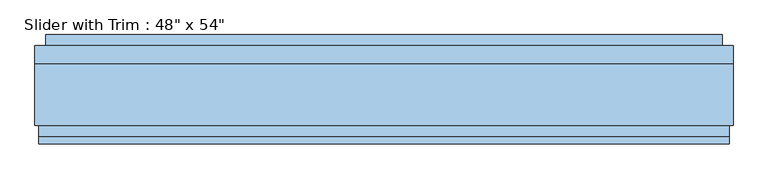
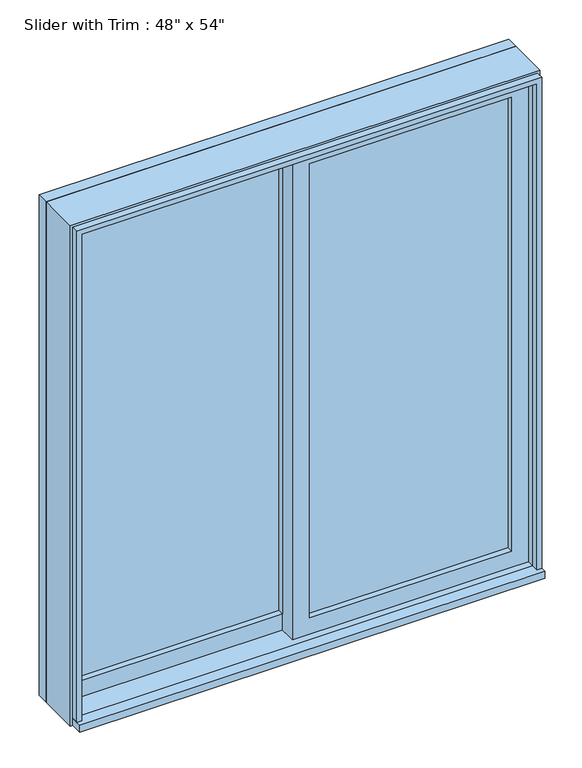
"""IFC4 building model written with IfcOpenShell, lengths in millimetres: window geometry."""

from ifc_helpers import new_model, si_unit, frame, origin, place, context, project, spatial, polyline, outline, extrude, source, transform, mapped, element, save


def window_5f075b5c(model_context):
    return source(origin(), model_context, "Body", "SweptSolid", [
        extrude(outline(polyline([(-546.1, 9.525), (-546.1, 22.225), (-22.225, 22.225), (-22.225, 9.525), (-546.1, 9.525)])), frame((0.0, 0.0, 977.9), z_axis=(0.0, 0.0, 1.0), x_axis=(1.0, 0.0, 0.0)), (0.0, 0.0, 1.0), 1244.6),
        extrude(outline(polyline([(2266.95, -590.55), (933.45, -590.55), (933.45, 22.225), (2266.95, 22.225), (2266.95, -590.55)]), holes=[polyline([(2222.5, -546.1), (2222.5, -22.225), (977.9, -22.225), (977.9, -546.1), (2222.5, -546.1)])]), frame((0.0, -6.35, 0.0), z_axis=(0.0, 1.0, 0.0), x_axis=(0.0, 0.0, 1.0)), (0.0, 0.0, 1.0), 44.45),
        extrude(outline(polyline([(-603.25, -101.6), (-603.25, -69.85), (603.25, -69.85), (603.25, -101.6), (-603.25, -101.6)])), frame((0.0, 0.0, 914.4), z_axis=(0.0, 0.0, 1.0), x_axis=(1.0, 0.0, 0.0)), (0.0, 0.0, 1.0), 19.05),
        extrude(outline(polyline([(2266.95, -590.55), (2266.95, 590.55), (933.45, 590.55), (933.45, 603.25), (2279.65, 603.25), (2279.65, -603.25), (933.45, -603.25), (933.45, -590.55), (2266.95, -590.55)])), frame((0.0, -88.9, 0.0), z_axis=(0.0, 1.0, 0.0), x_axis=(0.0, 0.0, 1.0)), (0.0, 0.0, 1.0), 19.05),
        extrude(outline(polyline([(2266.95, 590.55), (2266.95, -590.55), (933.45, -590.55), (933.45, 590.55), (2266.95, 590.55)]), holes=[polyline([(2254.25, 577.85), (946.15, 577.85), (946.15, -577.85), (2254.25, -577.85), (2254.25, 577.85)])]), frame((0.0, 69.85, 0.0), z_axis=(0.0, 1.0, 0.0), x_axis=(0.0, 0.0, 1.0)), (0.0, 0.0, 1.0), 19.05),
        extrude(outline(polyline([(546.1, -22.225), (546.1, -34.925), (22.225, -34.925), (22.225, -22.225), (546.1, -22.225)])), frame((0.0, 0.0, 977.9), z_axis=(0.0, 0.0, 1.0), x_axis=(1.0, 0.0, 0.0)), (0.0, 0.0, 1.0), 1244.6),
        extrude(outline(polyline([(2266.95, -22.225), (933.45, -22.225), (933.45, 590.55), (2266.95, 590.55), (2266.95, -22.225)]), holes=[polyline([(2222.5, 22.225), (2222.5, 546.1), (977.9, 546.1), (977.9, 22.225), (2222.5, 22.225)])]), frame((0.0, -50.8, 0.0), z_axis=(0.0, 1.0, 0.0), x_axis=(0.0, 0.0, 1.0)), (0.0, 0.0, 1.0), 44.45),
        extrude(outline(polyline([(2286.0, -609.6), (914.4, -609.6), (914.4, 609.6), (2286.0, 609.6), (2286.0, -609.6)]), holes=[polyline([(2254.25, -577.85), (2254.25, 577.85), (946.15, 577.85), (946.15, -577.85), (2254.25, -577.85)])]), frame((0.0, 38.1, 0.0), z_axis=(0.0, 1.0, 0.0), x_axis=(0.0, 0.0, 1.0)), (0.0, 0.0, 1.0), 31.75),
        extrude(outline(polyline([(2286.0, 609.6), (2286.0, -609.6), (914.4, -609.6), (914.4, 609.6), (2286.0, 609.6)]), holes=[polyline([(2266.95, 590.55), (933.45, 590.55), (933.45, -590.55), (2266.95, -590.55), (2266.95, 590.55)])]), frame((0.0, -69.85, 0.0), z_axis=(0.0, 1.0, 0.0), x_axis=(0.0, 0.0, 1.0)), (0.0, 0.0, 1.0), 107.95),
    ])


if __name__ == "__main__":
    model = new_model("IFC4")
    model_context = context("Model", 3, world=origin())
    ifc_project = project(units=[si_unit("LENGTHUNIT", "METRE", prefix="MILLI")], contexts=[model_context])
    site = spatial("IfcSite", under=ifc_project)
    building = spatial("IfcBuilding", under=site)
    placement = place(None, origin())
    window_shape = window_5f075b5c(model_context)
    element("IfcWindow", 1, ObjectType="Slider with Trim : 48\" x 54\"", at=placement, inside=building, context=model_context, shape_type="MappedRepresentation", body=[
        mapped(window_shape, transform((0.0, 0.0, 0.0), x_axis=(1.0, 0.0, 0.0), y_axis=(0.0, 1.0, 0.0), z_axis=(0.0, 0.0, 1.0))),
    ])
    save(model, "model.ifc")
